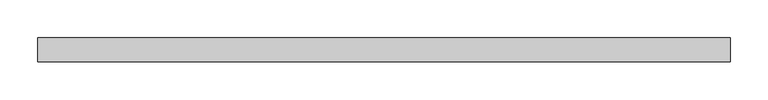
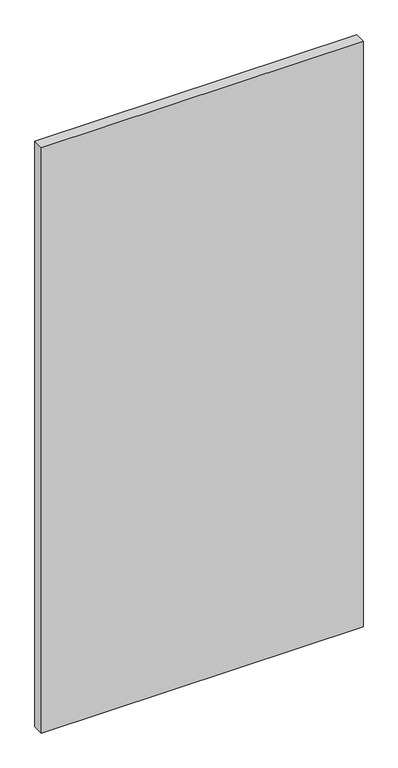
"""IFC4 building model written with IfcOpenShell, lengths in millimetres: plate geometry."""

from ifc_helpers import new_model, si_unit, origin, origin_with_axes, place, context, project, spatial, polyline, outline, extrude, source, transform, mapped, element, save


def plate_ba44ef26(model_context):
    return source(origin(), model_context, "Body", "SweptSolid", [
        extrude(outline(polyline([(457.8585663, -15.875), (-457.8585663, -15.875), (-457.8585663, 15.875), (457.8585663, 15.875), (457.8585663, -15.875)])), origin_with_axes(), (0.0, 0.0, 1.0), 1761.2320313),
    ])


if __name__ == "__main__":
    model = new_model("IFC4")
    model_context = context("Model", 3, world=origin())
    ifc_project = project(units=[si_unit("LENGTHUNIT", "METRE", prefix="MILLI")], contexts=[model_context])
    site = spatial("IfcSite", under=ifc_project)
    building = spatial("IfcBuilding", under=site)
    placement = place(None, origin())
    plate_shape = plate_ba44ef26(model_context)
    element("IfcPlate", 1, at=placement, inside=building, context=model_context, shape_type="MappedRepresentation", body=[
        mapped(plate_shape, transform((0.0, 0.0, 0.0), x_axis=(1.0, 0.0, 0.0), y_axis=(0.0, 1.0, 0.0), z_axis=(0.0, 0.0, 1.0))),
    ])
    save(model, "model.ifc")
